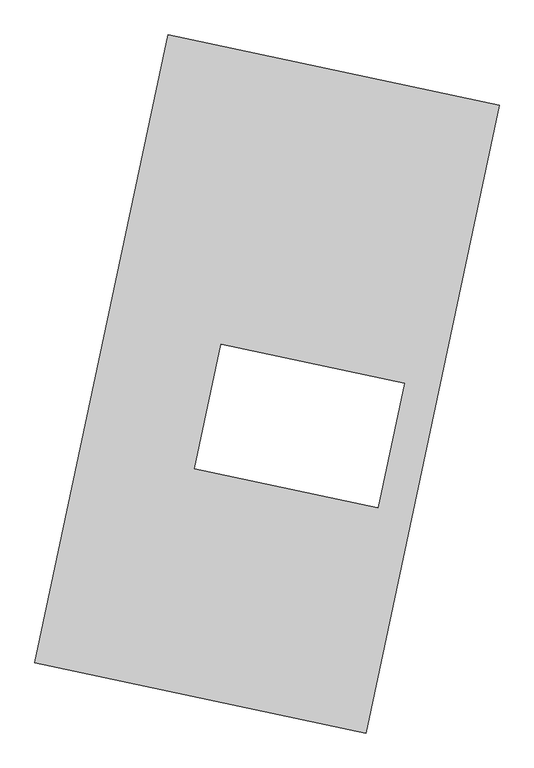
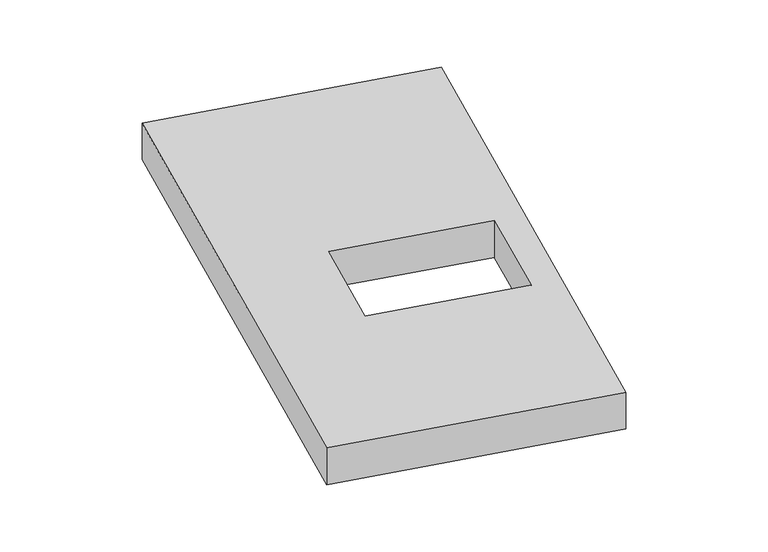
"""IFC4 building model written with IfcOpenShell, lengths in millimetres: proxy geometry."""

from ifc_helpers import new_model, si_unit, origin, origin_with_axes, place, context, project, spatial, polyline, outline, extrude, source, transform, mapped, element, save


def generic_models_aad38521(model_context):
    return source(origin(), model_context, "Body", "SweptSolid", [
        extrude(outline(polyline([(-617.3692021, 2175.5580432), (1447.7508745, 1737.3010494), (617.3692021, -2175.5580432), (-1447.7508745, -1737.3010494), (-617.3692021, 2175.5580432)]), holes=[polyline([(857.7460564, 4.3828578), (-286.1704772, 247.1432797), (-450.8661761, -528.9228168), (693.0503575, -771.6832387), (857.7460564, 4.3828578)])]), origin_with_axes(), (0.0, 0.0, 1.0), 300.0),
    ])


if __name__ == "__main__":
    model = new_model("IFC4")
    model_context = context("Model", 3, world=origin())
    ifc_project = project(units=[si_unit("LENGTHUNIT", "METRE", prefix="MILLI")], contexts=[model_context])
    site = spatial("IfcSite", under=ifc_project)
    building = spatial("IfcBuilding", under=site)
    placement = place(None, origin())
    generic_models_shape = generic_models_aad38521(model_context)
    element("IfcBuildingElementProxy", 1, Name="Generic Models", at=placement, inside=building, context=model_context, shape_type="MappedRepresentation", body=[
        mapped(generic_models_shape, transform((0.0, 0.0, 0.0), x_axis=(1.0, 0.0, 0.0), y_axis=(0.0, 1.0, 0.0), z_axis=(0.0, 0.0, 1.0))),
    ])
    save(model, "model.ifc")
